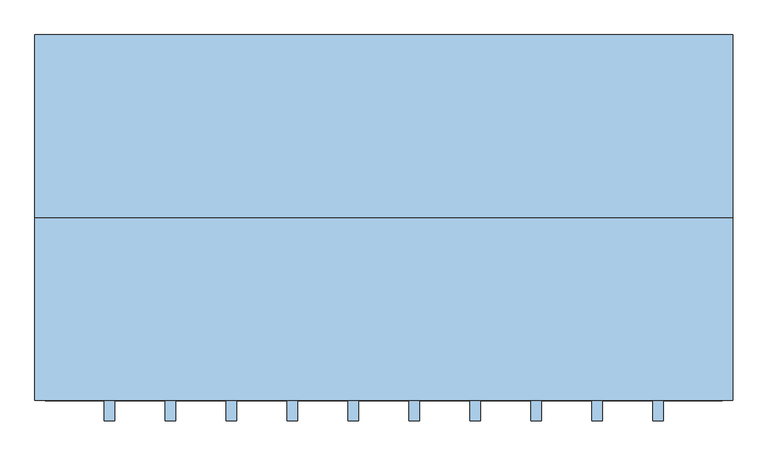
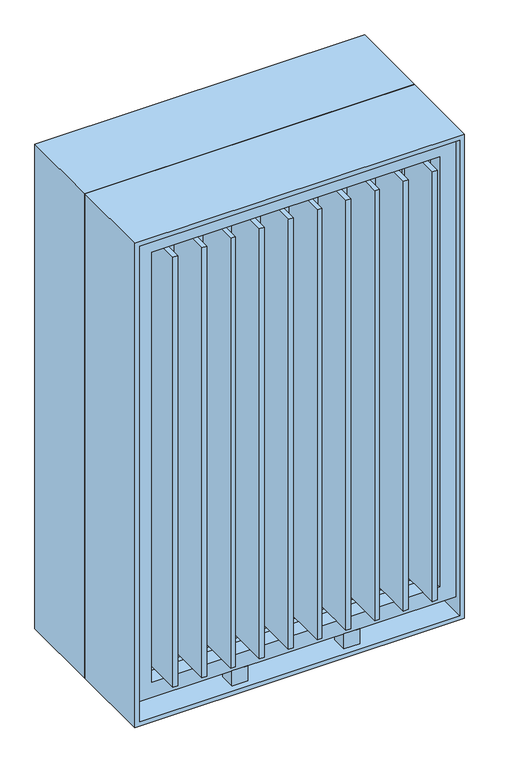
"""IFC4 building model written with IfcOpenShell, lengths in millimetres: window geometry."""

from ifc_helpers import new_model, si_unit, frame, origin, place, context, project, spatial, polyline, outline, extrude, source, transform, mapped, element, save


def window_a1396206(model_context):
    return source(origin(), model_context, "Body", "SweptSolid", [
        extrude(outline(polyline([(412.5, -424.65), (397.5, -424.65), (397.5, -275.35), (412.5, -275.35), (412.5, -424.65)])), frame((0.0, 0.0, 915.0), z_axis=(0.0, 0.0, 1.0), x_axis=(1.0, 0.0, 0.0)), (0.0, 0.0, 1.0), 1420.0),
        extrude(outline(polyline([(322.5, -424.65), (307.5, -424.65), (307.5, -275.35), (322.5, -275.35), (322.5, -424.65)])), frame((0.0, 0.0, 915.0), z_axis=(0.0, 0.0, 1.0), x_axis=(1.0, 0.0, 0.0)), (0.0, 0.0, 1.0), 1420.0),
        extrude(outline(polyline([(232.5, -424.65), (217.5, -424.65), (217.5, -275.35), (232.5, -275.35), (232.5, -424.65)])), frame((0.0, 0.0, 915.0), z_axis=(0.0, 0.0, 1.0), x_axis=(1.0, 0.0, 0.0)), (0.0, 0.0, 1.0), 1420.0),
        extrude(outline(polyline([(142.5, -424.65), (127.5, -424.65), (127.5, -275.35), (142.5, -275.35), (142.5, -424.65)])), frame((0.0, 0.0, 915.0), z_axis=(0.0, 0.0, 1.0), x_axis=(1.0, 0.0, 0.0)), (0.0, 0.0, 1.0), 1420.0),
        extrude(outline(polyline([(52.5, -424.65), (37.5, -424.65), (37.5, -275.35), (52.5, -275.35), (52.5, -424.65)])), frame((0.0, 0.0, 915.0), z_axis=(0.0, 0.0, 1.0), x_axis=(1.0, 0.0, 0.0)), (0.0, 0.0, 1.0), 1420.0),
        extrude(outline(polyline([(-37.5, -424.65), (-52.5, -424.65), (-52.5, -275.35), (-37.5, -275.35), (-37.5, -424.65)])), frame((0.0, 0.0, 915.0), z_axis=(0.0, 0.0, 1.0), x_axis=(1.0, 0.0, 0.0)), (0.0, 0.0, 1.0), 1420.0),
        extrude(outline(polyline([(-127.5, -424.65), (-142.5, -424.65), (-142.5, -275.35), (-127.5, -275.35), (-127.5, -424.65)])), frame((0.0, 0.0, 915.0), z_axis=(0.0, 0.0, 1.0), x_axis=(1.0, 0.0, 0.0)), (0.0, 0.0, 1.0), 1420.0),
        extrude(outline(polyline([(-217.5, -424.65), (-232.5, -424.65), (-232.5, -275.35), (-217.5, -275.35), (-217.5, -424.65)])), frame((0.0, 0.0, 915.0), z_axis=(0.0, 0.0, 1.0), x_axis=(1.0, 0.0, 0.0)), (0.0, 0.0, 1.0), 1420.0),
        extrude(outline(polyline([(-307.5, -424.65), (-322.5, -424.65), (-322.5, -275.35), (-307.5, -275.35), (-307.5, -424.65)])), frame((0.0, 0.0, 915.0), z_axis=(0.0, 0.0, 1.0), x_axis=(1.0, 0.0, 0.0)), (0.0, 0.0, 1.0), 1420.0),
        extrude(outline(polyline([(-397.5, -424.65), (-412.5, -424.65), (-412.5, -275.35), (-397.5, -275.35), (-397.5, -424.65)])), frame((0.0, 0.0, 915.0), z_axis=(0.0, 0.0, 1.0), x_axis=(1.0, 0.0, 0.0)), (0.0, 0.0, 1.0), 1420.0),
        extrude(outline(polyline([(-150.0, -325.0), (-150.0, -375.0), (-200.0, -375.0), (-200.0, -325.0), (-150.0, -325.0)])), frame((0.0, 0.0, 815.0), z_axis=(0.0, 0.0, 1.0), x_axis=(1.0, 0.0, 0.0)), (0.0, 0.0, 1.0), 50.0),
        extrude(outline(polyline([(200.0, -325.0), (200.0, -375.0), (150.0, -375.0), (150.0, -325.0), (200.0, -325.0)])), frame((0.0, 0.0, 815.0), z_axis=(0.0, 0.0, 1.0), x_axis=(1.0, 0.0, 0.0)), (0.0, 0.0, 1.0), 50.0),
        extrude(outline(polyline([(2385.0, 500.0), (2385.0, -500.0), (865.0, -500.0), (865.0, 500.0), (2385.0, 500.0)]), holes=[polyline([(2335.0, 450.0), (915.0, 450.0), (915.0, -450.0), (2335.0, -450.0), (2335.0, 450.0)])]), frame((0.0, -375.0, 0.0), z_axis=(0.0, 1.0, 0.0), x_axis=(0.0, 0.0, 1.0)), (0.0, 0.0, 1.0), 50.0),
        extrude(outline(polyline([(2325.0, 70.0), (2325.0, -440.0), (875.0, -440.0), (875.0, 70.0), (2325.0, 70.0)]), holes=[polyline([(2265.0, 10.0), (935.0, 10.0), (935.0, -380.0), (2265.0, -380.0), (2265.0, 10.0)])]), frame((0.0, -185.0, 0.0), z_axis=(0.0, 1.0, 0.0), x_axis=(0.0, 0.0, 1.0)), (0.0, 0.0, 1.0), 60.0),
        extrude(outline(polyline([(2400.0, 515.0), (2400.0, -515.0), (800.0, -515.0), (800.0, 515.0), (2400.0, 515.0)]), holes=[polyline([(815.0, 500.0), (815.0, -500.0), (2385.0, -500.0), (2385.0, 500.0), (815.0, 500.0)])]), frame((0.0, -125.0, 0.0), z_axis=(0.0, 1.0, 0.0), x_axis=(0.0, 0.0, 1.0)), (0.0, 0.0, 1.0), 270.0),
        extrude(outline(polyline([(2400.0, -515.0), (800.0, -515.0), (800.0, 515.0), (2400.0, 515.0), (2400.0, -515.0)]), holes=[polyline([(815.0, 500.0), (815.0, -500.0), (2385.0, -500.0), (2385.0, 500.0), (815.0, 500.0)])]), frame((0.0, -395.0, 0.0), z_axis=(0.0, 1.0, 0.0), x_axis=(0.0, 0.0, 1.0)), (0.0, 0.0, 1.0), 270.0),
        extrude(outline(polyline([(440.0, -140.0), (440.0, -170.0), (130.0, -170.0), (130.0, -140.0), (440.0, -140.0)])), frame((0.0, 0.0, 875.0), z_axis=(0.0, 0.0, 1.0), x_axis=(1.0, 0.0, 0.0)), (0.0, 0.0, 1.0), 1450.0),
        extrude(outline(polyline([(10.0, -140.0), (10.0, -170.0), (-380.0, -170.0), (-380.0, -140.0), (10.0, -140.0)])), frame((0.0, 0.0, 935.0), z_axis=(0.0, 0.0, 1.0), x_axis=(1.0, 0.0, 0.0)), (0.0, 0.0, 1.0), 1330.0),
        extrude(outline(polyline([(2385.0, -500.0), (815.0, -500.0), (815.0, 500.0), (2385.0, 500.0), (2385.0, -500.0)]), holes=[polyline([(2325.0, 130.0), (2325.0, 440.0), (875.0, 440.0), (875.0, 130.0), (2325.0, 130.0)]), polyline([(2325.0, -440.0), (2325.0, 70.0), (875.0, 70.0), (875.0, -440.0), (2325.0, -440.0)])]), frame((0.0, -185.0, 0.0), z_axis=(0.0, 1.0, 0.0), x_axis=(0.0, 0.0, 1.0)), (0.0, 0.0, 1.0), 60.0),
    ])


if __name__ == "__main__":
    model = new_model("IFC4")
    model_context = context("Model", 3, world=origin())
    ifc_project = project(units=[si_unit("LENGTHUNIT", "METRE", prefix="MILLI")], contexts=[model_context])
    site = spatial("IfcSite", under=ifc_project)
    building = spatial("IfcBuilding", under=site)
    placement = place(None, origin())
    window_shape = window_a1396206(model_context)
    element("IfcWindow", 1, at=placement, inside=building, context=model_context, shape_type="MappedRepresentation", body=[
        mapped(window_shape, transform((0.0, 0.0, 0.0), x_axis=(1.0, 0.0, 0.0), y_axis=(0.0, 1.0, 0.0), z_axis=(0.0, 0.0, 1.0))),
    ])
    save(model, "model.ifc")
